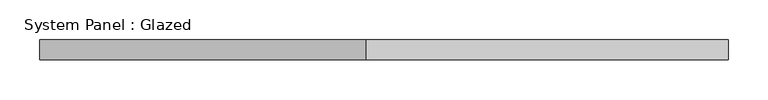
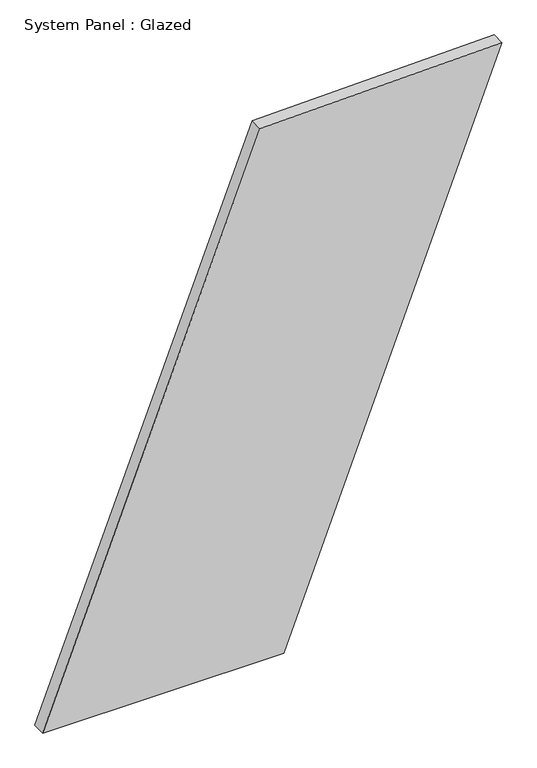
"""IFC4 building model written with IfcOpenShell, lengths in millimetres: plate geometry, System Panel : Glazed."""

from ifc_helpers import new_model, si_unit, frame, origin, place, context, project, spatial, polyline, outline, extrude, source, transform, mapped, element, save


def system_panel_glazed_f1f99dce(model_context):
    return source(origin(), model_context, "Body", "SweptSolid", [
        extrude(outline(polyline([(0.0, -431.8162078), (0.0, 21.789921), (1070.0778767, 431.8162078), (1058.3832685, -23.1979459), (0.0, -431.8162078)])), frame((0.0, -49.5, 0.0), z_axis=(0.0, 1.0, 0.0), x_axis=(0.0, 0.0, 1.0)), (0.0, 0.0, 1.0), 25.0),
    ])


if __name__ == "__main__":
    model = new_model("IFC4")
    model_context = context("Model", 3, world=origin())
    ifc_project = project(units=[si_unit("LENGTHUNIT", "METRE", prefix="MILLI")], contexts=[model_context])
    site = spatial("IfcSite", under=ifc_project)
    building = spatial("IfcBuilding", under=site)
    placement = place(None, origin())
    system_panel_glazed_shape = system_panel_glazed_f1f99dce(model_context)
    element("IfcPlate", 1, ObjectType="System Panel : Glazed", at=placement, inside=building, context=model_context, shape_type="MappedRepresentation", body=[
        mapped(system_panel_glazed_shape, transform((0.0, 0.0, 0.0), x_axis=(1.0, 0.0, 0.0), y_axis=(0.0, 1.0, 0.0), z_axis=(0.0, 0.0, 1.0))),
    ])
    save(model, "model.ifc")
